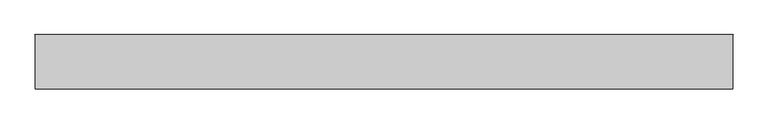
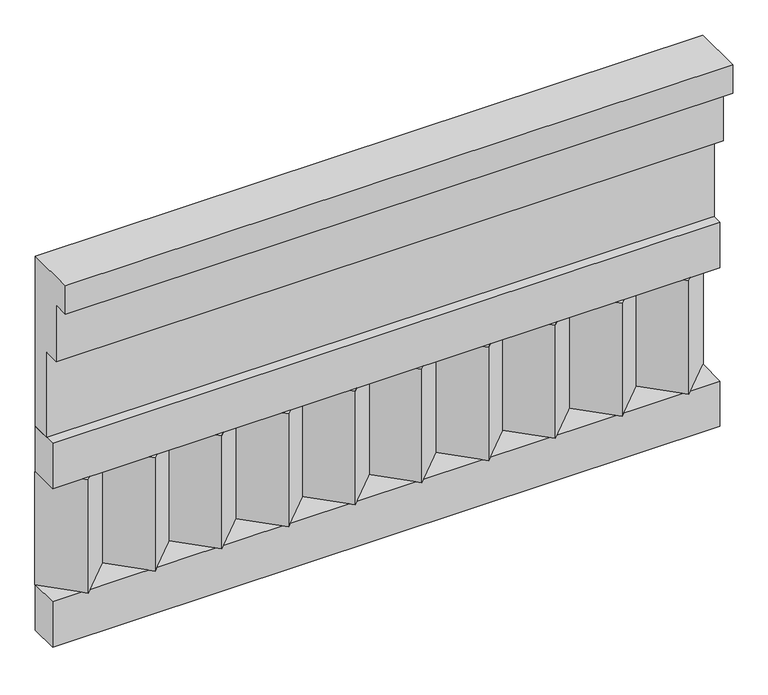
"""IFC4 building model written with IfcOpenShell, lengths in millimetres: railing geometry."""

from ifc_helpers import new_model, si_unit, frame, origin, place, context, project, spatial, polyline, outline, extrude, source, transform, mapped, element, save


def railing_851731ce(model_context):
    return source(origin(), model_context, "Body", "SweptSolid", [
        extrude(outline(polyline([(-16816.8920513, 15200.0), (-16816.8920513, 14750.0), (-16866.8920513, 14750.0), (-16866.8920513, 14975.0), (-16906.8920513, 14975.0), (-16906.8920513, 15125.0), (-16946.8920513, 15125.0), (-16946.8920513, 15200.0), (-16816.8920513, 15200.0)])), frame((33090.0112841, 0.0, 0.0), z_axis=(1.0, 0.0, 0.0), x_axis=(0.0, 1.0, 0.0)), (0.0, 0.0, 1.0), 1670.0),
        extrude(outline(polyline([(33090.0112841, -16891.8920513), (33090.0112841, -16816.8920513), (34760.0112841, -16816.8920513), (34760.0112841, -16891.8920513), (33090.0112841, -16891.8920513)])), frame((0.0, 0.0, 14630.0), z_axis=(0.0, 0.0, 1.0), x_axis=(1.0, 0.0, 0.0)), (0.0, 0.0, 1.0), 120.0),
        extrude(outline(polyline([(33090.0112841, -16891.8920513), (33090.0112841, -16816.8920513), (34760.0112841, -16816.8920513), (34760.0112841, -16891.8920513), (33090.0112841, -16891.8920513)])), frame((0.0, 0.0, 14210.0), z_axis=(0.0, 0.0, 1.0), x_axis=(1.0, 0.0, 0.0)), (0.0, 0.0, 1.0), 120.0),
        extrude(outline(polyline([(34676.5112841, -16901.7448651), (34591.6584704, -16816.8920513), (34761.3640978, -16816.8920513), (34676.5112841, -16901.7448651)])), frame((0.0, 0.0, 14330.0), z_axis=(0.0, 0.0, 1.0), x_axis=(1.0, 0.0, 0.0)), (0.0, 0.0, 1.0), 300.0),
        extrude(outline(polyline([(34509.5112841, -16901.7448651), (34424.6584704, -16816.8920513), (34594.3640978, -16816.8920513), (34509.5112841, -16901.7448651)])), frame((0.0, 0.0, 14330.0), z_axis=(0.0, 0.0, 1.0), x_axis=(1.0, 0.0, 0.0)), (0.0, 0.0, 1.0), 300.0),
        extrude(outline(polyline([(34342.5112841, -16901.7448651), (34257.6584704, -16816.8920513), (34427.3640978, -16816.8920513), (34342.5112841, -16901.7448651)])), frame((0.0, 0.0, 14330.0), z_axis=(0.0, 0.0, 1.0), x_axis=(1.0, 0.0, 0.0)), (0.0, 0.0, 1.0), 300.0),
        extrude(outline(polyline([(34175.5112841, -16901.7448651), (34090.6584704, -16816.8920513), (34260.3640978, -16816.8920513), (34175.5112841, -16901.7448651)])), frame((0.0, 0.0, 14330.0), z_axis=(0.0, 0.0, 1.0), x_axis=(1.0, 0.0, 0.0)), (0.0, 0.0, 1.0), 300.0),
        extrude(outline(polyline([(34008.5112841, -16901.7448651), (33923.6584704, -16816.8920513), (34093.3640978, -16816.8920513), (34008.5112841, -16901.7448651)])), frame((0.0, 0.0, 14330.0), z_axis=(0.0, 0.0, 1.0), x_axis=(1.0, 0.0, 0.0)), (0.0, 0.0, 1.0), 300.0),
        extrude(outline(polyline([(33841.5112841, -16901.7448651), (33756.6584704, -16816.8920513), (33926.3640978, -16816.8920513), (33841.5112841, -16901.7448651)])), frame((0.0, 0.0, 14330.0), z_axis=(0.0, 0.0, 1.0), x_axis=(1.0, 0.0, 0.0)), (0.0, 0.0, 1.0), 300.0),
        extrude(outline(polyline([(33674.5112841, -16901.7448651), (33589.6584704, -16816.8920513), (33759.3640978, -16816.8920513), (33674.5112841, -16901.7448651)])), frame((0.0, 0.0, 14330.0), z_axis=(0.0, 0.0, 1.0), x_axis=(1.0, 0.0, 0.0)), (0.0, 0.0, 1.0), 300.0),
        extrude(outline(polyline([(33507.5112841, -16901.7448651), (33422.6584704, -16816.8920513), (33592.3640978, -16816.8920513), (33507.5112841, -16901.7448651)])), frame((0.0, 0.0, 14330.0), z_axis=(0.0, 0.0, 1.0), x_axis=(1.0, 0.0, 0.0)), (0.0, 0.0, 1.0), 300.0),
        extrude(outline(polyline([(33340.5112841, -16901.7448651), (33255.6584704, -16816.8920513), (33425.3640978, -16816.8920513), (33340.5112841, -16901.7448651)])), frame((0.0, 0.0, 14330.0), z_axis=(0.0, 0.0, 1.0), x_axis=(1.0, 0.0, 0.0)), (0.0, 0.0, 1.0), 300.0),
        extrude(outline(polyline([(33173.5112841, -16901.7448651), (33088.6584704, -16816.8920513), (33258.3640978, -16816.8920513), (33173.5112841, -16901.7448651)])), frame((0.0, 0.0, 14330.0), z_axis=(0.0, 0.0, 1.0), x_axis=(1.0, 0.0, 0.0)), (0.0, 0.0, 1.0), 300.0),
    ])


if __name__ == "__main__":
    model = new_model("IFC4")
    model_context = context("Model", 3, world=origin())
    ifc_project = project(units=[si_unit("LENGTHUNIT", "METRE", prefix="MILLI")], contexts=[model_context])
    site = spatial("IfcSite", under=ifc_project)
    building = spatial("IfcBuilding", under=site)
    placement = place(None, origin())
    railing_shape = railing_851731ce(model_context)
    element("IfcRailing", 1, at=placement, inside=building, context=model_context, shape_type="MappedRepresentation", body=[
        mapped(railing_shape, transform((0.0, 0.0, 0.0), x_axis=(1.0, 0.0, 0.0), y_axis=(0.0, 1.0, 0.0), z_axis=(0.0, 0.0, 1.0))),
    ])
    save(model, "model.ifc")
